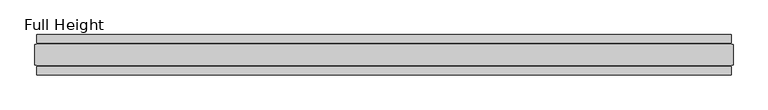
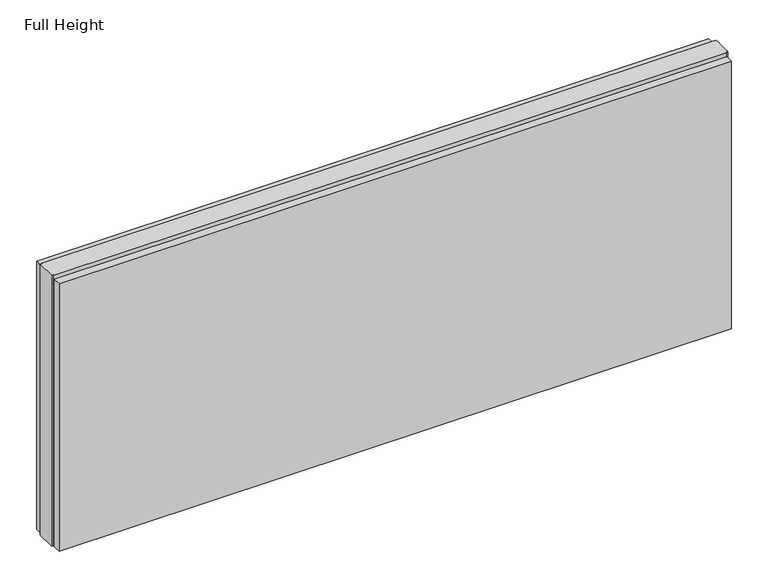
"""IFC4 building model written with IfcOpenShell, lengths in millimetres: plate geometry, Full Height."""

from ifc_helpers import new_model, si_unit, origin, origin_with_axes, place, context, project, spatial, polyline, outline, extrude, source, transform, mapped, element, save


def full_height_eecc5c8a(model_context):
    return source(origin(), model_context, "Body", "SweptSolid", [
        extrude(outline(polyline([(856.3157595, 28.956), (-856.3157595, 28.956), (-856.3157595, 49.53), (856.3157595, 49.53), (856.3157595, 28.956)])), origin_with_axes(), (0.0, 0.0, 1.0), 720.852),
        extrude(outline(polyline([(856.3157595, -28.956), (856.3157595, -49.53), (-856.3157595, -49.53), (-856.3157595, -28.956), (856.3157595, -28.956)])), origin_with_axes(), (0.0, 0.0, 1.0), 720.852),
        extrude(outline(polyline([(856.3157595, -25.146), (856.3157595, -26.67), (-856.3157595, -26.67), (-856.3157595, -25.146), (-860.8877595, -25.146), (-860.8877595, 25.146), (-856.3157595, 25.146), (-856.3157595, 26.67), (856.3157595, 26.67), (856.3157595, 25.146), (860.8877595, 25.146), (860.8877595, -25.146), (856.3157595, -25.146)])), origin_with_axes(), (0.0, 0.0, 1.0), 729.996),
    ])


if __name__ == "__main__":
    model = new_model("IFC4")
    model_context = context("Model", 3, world=origin())
    ifc_project = project(units=[si_unit("LENGTHUNIT", "METRE", prefix="MILLI")], contexts=[model_context])
    site = spatial("IfcSite", under=ifc_project)
    building = spatial("IfcBuilding", under=site)
    placement = place(None, origin())
    full_height_shape = full_height_eecc5c8a(model_context)
    element("IfcPlate", 1, ObjectType="Full Height", at=placement, inside=building, context=model_context, shape_type="MappedRepresentation", body=[
        mapped(full_height_shape, transform((0.0, 0.0, 0.0), x_axis=(1.0, 0.0, 0.0), y_axis=(0.0, 1.0, 0.0), z_axis=(0.0, 0.0, 1.0))),
    ])
    save(model, "model.ifc")
